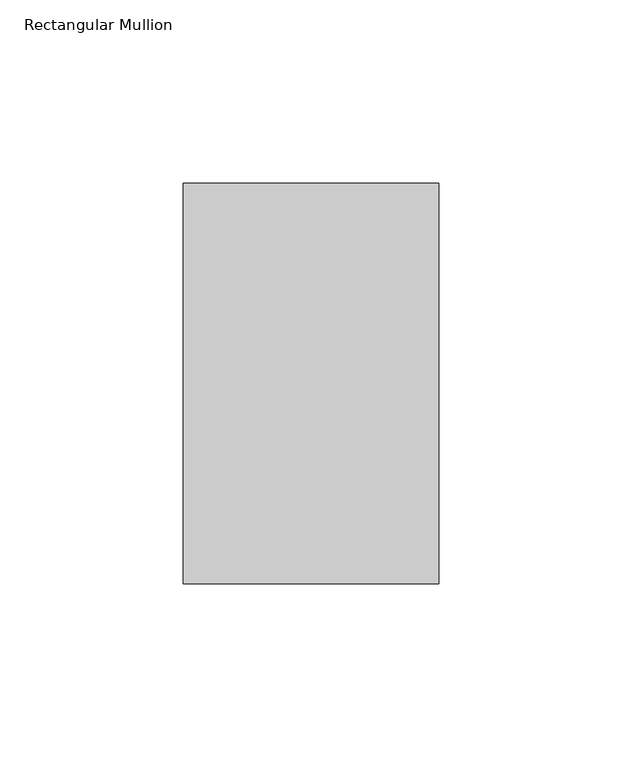
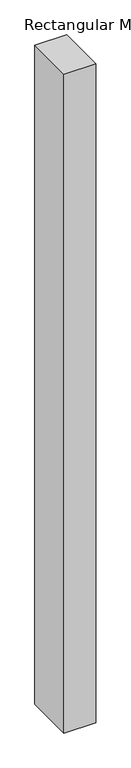
"""IFC4 building model written with IfcOpenShell, lengths in millimetres: member geometry, Rectangular Mullion."""

from ifc_helpers import new_model, si_unit, frame, origin, place, context, project, spatial, polyline, outline, extrude, source, transform, mapped, element, save


def rectangular_mullion_55c670f2(model_context):
    return source(origin(), model_context, "Body", "SweptSolid", [
        extrude(outline(polyline([(-69.85, -74.6125), (-69.85, 34.925), (0.0, 34.925), (0.0, -74.6125), (-69.85, -74.6125)])), frame((0.0, 0.0, -1524.0), z_axis=(0.0, 0.0, 1.0), x_axis=(1.0, 0.0, 0.0)), (0.0, 0.0, 1.0), 1524.0),
    ])


if __name__ == "__main__":
    model = new_model("IFC4")
    model_context = context("Model", 3, world=origin())
    ifc_project = project(units=[si_unit("LENGTHUNIT", "METRE", prefix="MILLI")], contexts=[model_context])
    site = spatial("IfcSite", under=ifc_project)
    building = spatial("IfcBuilding", under=site)
    placement = place(None, origin())
    rectangular_mullion_shape = rectangular_mullion_55c670f2(model_context)
    element("IfcMember", 1, ObjectType="Rectangular Mullion", at=placement, inside=building, context=model_context, shape_type="MappedRepresentation", body=[
        mapped(rectangular_mullion_shape, transform((0.0, 0.0, 0.0), x_axis=(1.0, 0.0, 0.0), y_axis=(0.0, 1.0, 0.0), z_axis=(0.0, 0.0, 1.0))),
    ])
    save(model, "model.ifc")
